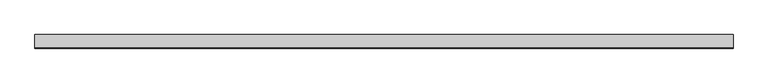
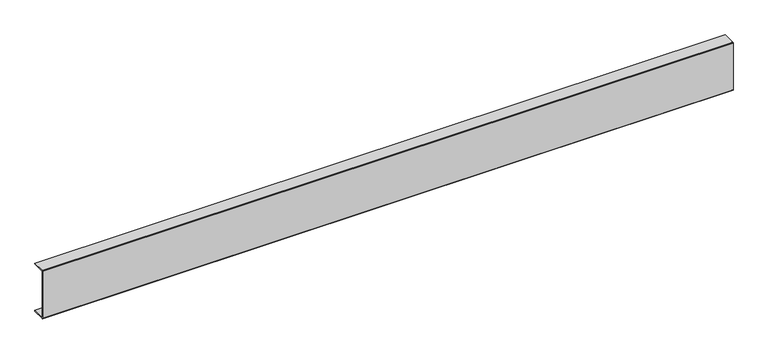
"""IFC4 building model written with IfcOpenShell, lengths in millimetres: proxy geometry."""

from ifc_helpers import new_model, si_unit, point, frame, frame_2d, origin, place, context, project, spatial, polyline, circle_curve, trimmed, segment, composite_curve, outline, extrude, source, transform, mapped, element, save


def generic_models_82701c74(model_context):
    return source(origin(), model_context, "Body", "SweptSolid", [
        extrude(outline(composite_curve([segment(polyline([(2.0, 151.0), (40.0, 151.0), (40.0, 149.0), (2.0, 149.0), (2.0, 2.0), (40.0, 2.0), (40.0, 0.0), (2.0, 0.0)]), True, "CONTINUOUS"), segment(trimmed(circle_curve(frame_2d((2.0, 2.0)), 2.0), [point((2.0, 0.0))], [point((0.0, 2.0))], False, "CARTESIAN"), True, "CONTINUOUS"), segment(polyline([(0.0, 2.0), (0.0, 149.0)]), True, "CONTINUOUS"), segment(trimmed(circle_curve(frame_2d((2.0, 149.0)), 2.0), [point((0.0, 149.0))], [point((2.0, 151.0))], False, "CARTESIAN"), True, "CONTINUOUS")], self_intersect=False)), frame((0.0, 0.0, 0.0), z_axis=(1.0, 0.0, 0.0), x_axis=(0.0, 1.0, 0.0)), (0.0, 0.0, 1.0), 2053.0),
    ])


if __name__ == "__main__":
    model = new_model("IFC4")
    model_context = context("Model", 3, world=origin())
    ifc_project = project(units=[si_unit("LENGTHUNIT", "METRE", prefix="MILLI")], contexts=[model_context])
    site = spatial("IfcSite", under=ifc_project)
    building = spatial("IfcBuilding", under=site)
    placement = place(None, origin())
    generic_models_shape = generic_models_82701c74(model_context)
    element("IfcBuildingElementProxy", 1, Name="Generic Models", at=placement, inside=building, context=model_context, shape_type="MappedRepresentation", body=[
        mapped(generic_models_shape, transform((0.0, 0.0, 0.0), x_axis=(1.0, 0.0, 0.0), y_axis=(0.0, 1.0, 0.0), z_axis=(0.0, 0.0, 1.0))),
    ])
    save(model, "model.ifc")
